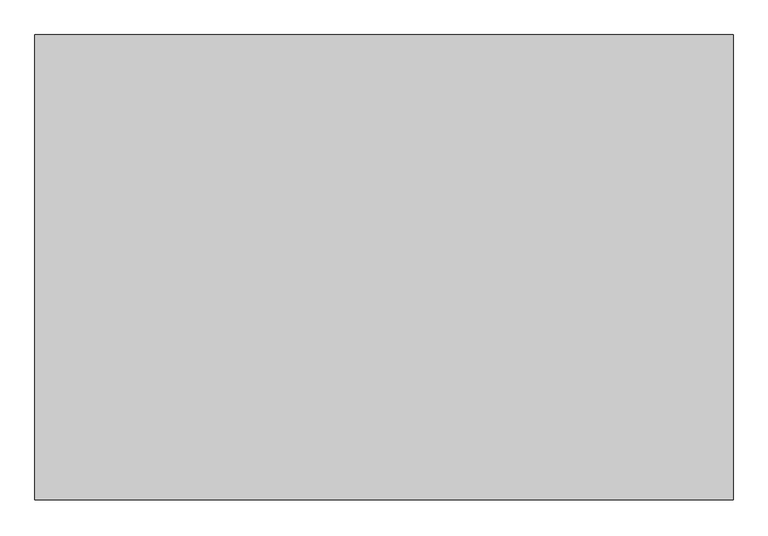
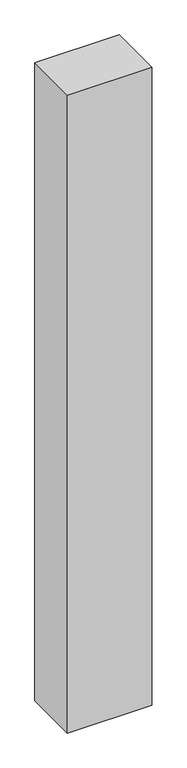
"""IFC4 building model written with IfcOpenShell, lengths in millimetres: proxy geometry."""

from ifc_helpers import new_model, si_unit, origin, origin_with_axes, place, context, project, spatial, polyline, outline, extrude, source, transform, mapped, element, save


def generic_models_0119dfde(model_context):
    return source(origin(), model_context, "Body", "SweptSolid", [
        extrude(outline(polyline([(1415.9664871, 943.977658), (1415.9664871, 0.0), (0.0, 0.0), (0.0, 943.977658), (1415.9664871, 943.977658)])), origin_with_axes(), (0.0, 0.0, 1.0), 11327.7318965),
    ])


if __name__ == "__main__":
    model = new_model("IFC4")
    model_context = context("Model", 3, world=origin())
    ifc_project = project(units=[si_unit("LENGTHUNIT", "METRE", prefix="MILLI")], contexts=[model_context])
    site = spatial("IfcSite", under=ifc_project)
    building = spatial("IfcBuilding", under=site)
    placement = place(None, origin())
    generic_models_shape = generic_models_0119dfde(model_context)
    element("IfcBuildingElementProxy", 1, Name="Generic Models", at=placement, inside=building, context=model_context, shape_type="MappedRepresentation", body=[
        mapped(generic_models_shape, transform((0.0, 0.0, 0.0), x_axis=(1.0, 0.0, 0.0), y_axis=(0.0, 1.0, 0.0), z_axis=(0.0, 0.0, 1.0))),
    ])
    save(model, "model.ifc")
